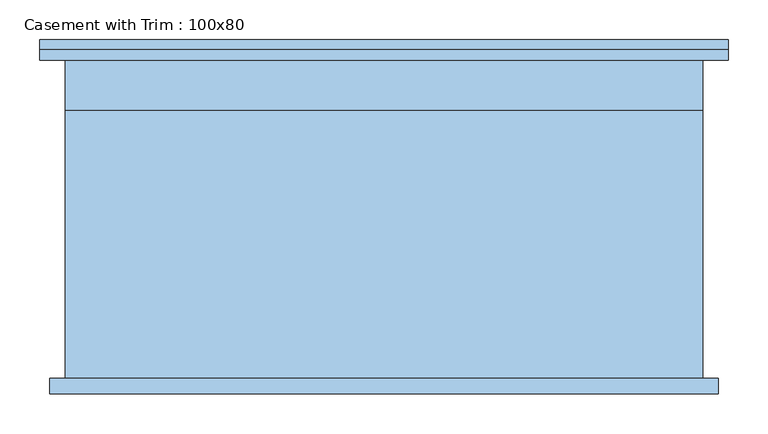
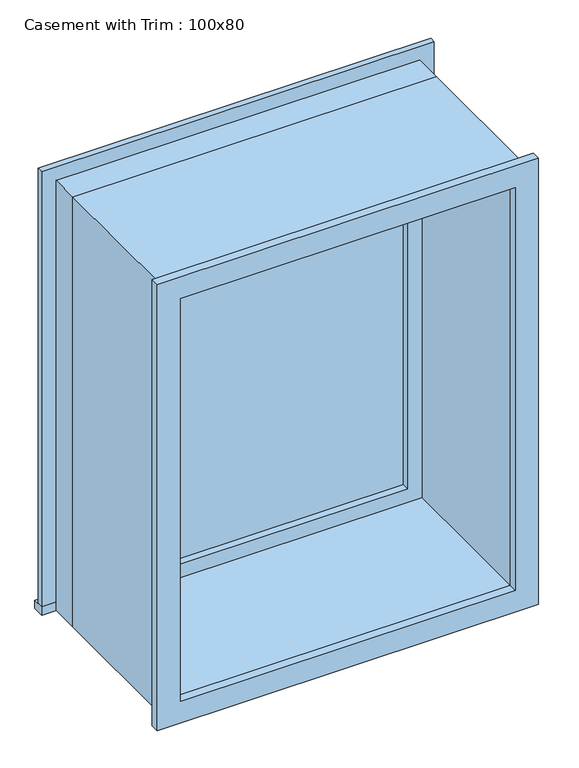
"""IFC4 building model written with IfcOpenShell, lengths in millimetres: window geometry, Casement with Trim : 100x80."""

import ifcopenshell
import ifcopenshell.guid

model = None  # the IFC model being written
_history = None  # IfcOwnerHistory: only IFC2X3 demands one
_inside = {}  # id of a spatial element -> (the spatial element, [elements in it])
_under = {}  # id of a project, library or spatial element -> (it, [spatial elements below it])
_declared = {}  # id of a project -> (the project, [libraries it declares])
_typed = {}  # id of a type object -> (the type object, [elements of that type])
_made_of = {}  # id of a material, layer set ... -> (it, [elements and type objects made of it])


def new_model(schema):
    """Start an empty IFC model of exactly this schema.

    Asked for "IFC4X3", IfcOpenShell would pick the latest addendum, in which some entities
    have other attributes; the version numbers below select the first issue.
    IFC2X3 requires an IfcOwnerHistory on every rooted entity: one is made here for all.
    """
    global model, _history
    if schema == "IFC4X3":
        model = ifcopenshell.file(schema_version=(4, 3, 0, 0))
    else:
        model = ifcopenshell.file(schema=schema)
    _inside.clear()
    _under.clear()
    _declared.clear()
    _typed.clear()
    _made_of.clear()
    _history = None
    if model.schema == "IFC2X3":
        org = make("IfcOrganization", Name="unknown")
        user = make(
            "IfcPersonAndOrganization",
            ThePerson=make("IfcPerson", FamilyName="unknown"),
            TheOrganization=org,
        )
        app = make(
            "IfcApplication",
            ApplicationDeveloper=org,
            Version="unknown",
            ApplicationFullName="unknown",
            ApplicationIdentifier="unknown",
        )
        _history = make(
            "IfcOwnerHistory",
            OwningUser=user,
            OwningApplication=app,
            ChangeAction="ADDED",
            CreationDate=0,
        )
    return model


def make(cls, **values):
    """One entity of the class cls with the attributes given. An attribute that is None is left unset."""
    return model.create_entity(
        cls, **{name: value for name, value in values.items() if value is not None}
    )


def rooted(cls, **values):
    """An entity with a GlobalId (a new one), such as an element, a storey or a relation."""
    return make(cls, GlobalId=ifcopenshell.guid.new(), OwnerHistory=_history, **values)


def si_unit(unit_type, name, prefix=None):
    """IfcSIUnit, for example si_unit("LENGTHUNIT", "METRE", prefix="MILLI")."""
    return make("IfcSIUnit", UnitType=unit_type, Prefix=prefix, Name=name)


def assignment(units):
    """IfcUnitAssignment: the units of a project."""
    return None if units is None else make("IfcUnitAssignment", Units=units)


def point(xyz):
    """IfcCartesianPoint."""
    return None if xyz is None else make("IfcCartesianPoint", Coordinates=xyz)


def direction(xyz):
    """IfcDirection."""
    return None if xyz is None else make("IfcDirection", DirectionRatios=xyz)


def frame(location, z_axis=None, x_axis=None):
    """IfcAxis2Placement3D, a coordinate frame: its origin and axes. An axis left out is left unset."""
    return make(
        "IfcAxis2Placement3D",
        Location=point(location),
        Axis=direction(z_axis),
        RefDirection=direction(x_axis),
    )


def origin():
    """The frame at (0, 0, 0) with its axes left unset."""
    return frame((0.0, 0.0, 0.0))


def place(relative_to, where):
    """IfcLocalPlacement: puts the frame where relative to a parent placement (None: the world)."""
    return make(
        "IfcLocalPlacement", PlacementRelTo=relative_to, RelativePlacement=where
    )


def context(
    kind, dimensions, precision=None, world=None, true_north=None, identifier=None
):
    """IfcGeometricRepresentationContext, for example the 3D "Model" context."""
    return make(
        "IfcGeometricRepresentationContext",
        ContextIdentifier=identifier,
        ContextType=kind,
        CoordinateSpaceDimension=dimensions,
        Precision=precision,
        WorldCoordinateSystem=world,
        TrueNorth=true_north,
    )


def project(units=None, contexts=None):
    """IfcProject with its units and contexts."""
    return rooted(
        "IfcProject",
        Name="project",
        RepresentationContexts=contexts,
        UnitsInContext=assignment(units),
    )


def spatial(cls, under=None, at=None, **own):
    """A site, building, storey or space (cls), placed at a placement, below another one or the project."""
    s = rooted(cls, ObjectPlacement=at, **own)
    if under is not None:
        _under.setdefault(under.id(), (under, []))[1].append(s)
    return s


def polyline(points):
    """IfcPolyline through the points."""
    return make("IfcPolyline", Points=[point(p) for p in points])


def outline(outer, holes=None, kind="AREA"):
    """IfcArbitraryClosedProfileDef: a profile drawn as a closed curve; with holes, ...WithVoids."""
    if holes is None:
        return make("IfcArbitraryClosedProfileDef", ProfileType=kind, OuterCurve=outer)
    return make(
        "IfcArbitraryProfileDefWithVoids",
        ProfileType=kind,
        OuterCurve=outer,
        InnerCurves=holes,
    )


def extrude(swept, where, along, depth):
    """IfcExtrudedAreaSolid: the profile swept, set in the frame where, extruded along a direction by depth."""
    return make(
        "IfcExtrudedAreaSolid",
        SweptArea=swept,
        Position=where,
        ExtrudedDirection=direction(along),
        Depth=depth,
    )


def shape(context_of_items, identifier, shape_type, items):
    """IfcShapeRepresentation: the items that make up one representation, for example the "Body"."""
    return make(
        "IfcShapeRepresentation",
        ContextOfItems=context_of_items,
        RepresentationIdentifier=identifier,
        RepresentationType=shape_type,
        Items=items,
    )


def source(mapping_origin, context_of_items, identifier, shape_type, items):
    """IfcRepresentationMap: a shape defined once, which mapped items show again and again."""
    return make(
        "IfcRepresentationMap",
        MappingOrigin=mapping_origin,
        MappedRepresentation=shape(context_of_items, identifier, shape_type, items),
    )


def transform(
    local_origin,
    x_axis=None,
    y_axis=None,
    z_axis=None,
    scale=None,
    scale2=None,
    scale3=None,
    uniform=True,
):
    """IfcCartesianTransformationOperator3D, or its non-uniform kind. x_axis, y_axis, z_axis: its Axis1, 2, 3."""
    if uniform:
        return make(
            "IfcCartesianTransformationOperator3D",
            Axis1=direction(x_axis),
            Axis2=direction(y_axis),
            LocalOrigin=point(local_origin),
            Scale=scale,
            Axis3=direction(z_axis),
        )
    return make(
        "IfcCartesianTransformationOperator3DnonUniform",
        Axis1=direction(x_axis),
        Axis2=direction(y_axis),
        LocalOrigin=point(local_origin),
        Scale=scale,
        Axis3=direction(z_axis),
        Scale2=scale2,
        Scale3=scale3,
    )


def mapped(mapping_source, mapping_target):
    """IfcMappedItem: shows the shape of a source again, moved by a transform."""
    return make(
        "IfcMappedItem", MappingSource=mapping_source, MappingTarget=mapping_target
    )


def made_of(thing, what):
    """Note that an element or type object is made of a material, layer set ...; save() writes the relation."""
    if what is not None:
        _made_of.setdefault(what.id(), (what, []))[1].append(thing)
    return thing


def element(
    cls,
    number,
    at=None,
    inside=None,
    cuts=None,
    type_object=None,
    material=None,
    context=None,
    identifier="Body",
    shape_type=None,
    held_by="IfcProductDefinitionShape",
    body=None,
    shapes=None,
    **own,
):
    """One element of the class cls, such as IfcWall. Its Tag is "e" and its number.

    at: its placement. inside: the storey or other place that contains it. cuts: it is an
    opening in that element (IfcRelVoidsElement). A single representation is given by context,
    identifier, shape_type and body (its items); several are given by shapes. held_by: the class
    of the entity that holds the representations. save() writes the other relations.
    """
    e = rooted(cls, Tag="e%d" % number, ObjectPlacement=at, **own)
    if body is not None:
        shapes = [shape(context, identifier, shape_type, body)]
    if shapes is not None:
        e.Representation = make(held_by, Representations=shapes)
    if inside is not None:
        _inside.setdefault(inside.id(), (inside, []))[1].append(e)
    if cuts is not None:
        rooted(
            "IfcRelVoidsElement", RelatingBuildingElement=cuts, RelatedOpeningElement=e
        )
    if type_object is not None:
        _typed.setdefault(type_object.id(), (type_object, []))[1].append(e)
    return made_of(e, material)


def aggregate(whole, parts):
    """IfcRelAggregates: a whole, such as a stair, and the parts it consists of."""
    return rooted("IfcRelAggregates", RelatingObject=whole, RelatedObjects=parts)


def save(model, path):
    """Write the relations noted so far, then the file.

    IfcRelAggregates (storeys below a building ...), IfcRelContainedInSpatialStructure (elements
    in a storey), IfcRelDefinesByType, IfcRelAssociatesMaterial and IfcRelDeclares: one each for
    every whole, place, type object, material and project.
    """
    for whole, parts in _under.values():
        aggregate(whole, parts)
    for where, things in _inside.values():
        rooted(
            "IfcRelContainedInSpatialStructure",
            RelatedElements=things,
            RelatingStructure=where,
        )
    for kind, things in _typed.values():
        rooted("IfcRelDefinesByType", RelatedObjects=things, RelatingType=kind)
    for what, things in _made_of.values():
        rooted("IfcRelAssociatesMaterial", RelatedObjects=things, RelatingMaterial=what)
    for by, libraries in _declared.values():
        rooted("IfcRelDeclares", RelatingContext=by, RelatedDefinitions=libraries)
    model.write(path)


def casement_with_trim_100x80_1a2b06f2(model_context):
    return source(origin(), model_context, "Body", "SweptSolid", [
        extrude(outline(polyline([(-431.75, 225.4), (431.75, 225.4), (431.75, 200.0), (-431.75, 200.0), (-431.75, 225.4)])), frame((0.0, 0.0, 914.4), z_axis=(0.0, 0.0, 1.0), x_axis=(1.0, 0.0, 0.0)), (0.0, 0.0, 1.0), 19.05),
        extrude(outline(polyline([(1895.35, -380.95), (1895.35, 380.95), (933.45, 380.95), (933.45, 431.75), (1946.15, 431.75), (1946.15, -431.75), (933.45, -431.75), (933.45, -380.95), (1895.35, -380.95)])), frame((0.0, 200.0, 0.0), z_axis=(0.0, 1.0, 0.0), x_axis=(0.0, 0.0, 1.0)), (0.0, 0.0, 1.0), 12.7),
        extrude(outline(polyline([(1933.45, 419.05), (1933.45, -419.05), (895.35, -419.05), (895.35, 419.05), (1933.45, 419.05)]), holes=[polyline([(1882.65, 368.25), (946.15, 368.25), (946.15, -368.25), (1882.65, -368.25), (1882.65, 368.25)])]), frame((0.0, -219.05, 0.0), z_axis=(0.0, 1.0, 0.0), x_axis=(0.0, 0.0, 1.0)), (0.0, 0.0, 1.0), 19.05),
        extrude(outline(polyline([(336.5, 152.375), (-336.5, 152.375), (-336.5, 165.075), (336.5, 165.075), (336.5, 152.375)])), frame((0.0, 0.0, 977.9), z_axis=(0.0, 0.0, 1.0), x_axis=(1.0, 0.0, 0.0)), (0.0, 0.0, 1.0), 873.0),
        extrude(outline(polyline([(1895.35, -380.95), (933.45, -380.95), (933.45, 380.95), (1895.35, 380.95), (1895.35, -380.95)]), holes=[polyline([(1850.9, -336.5), (1850.9, 336.5), (977.9, 336.5), (977.9, -336.5), (1850.9, -336.5)])]), frame((0.0, 136.5, 0.0), z_axis=(0.0, 1.0, 0.0), x_axis=(0.0, 0.0, 1.0)), (0.0, 0.0, 1.0), 44.45),
        extrude(outline(polyline([(1914.4, -400.0), (914.4, -400.0), (914.4, 400.0), (1914.4, 400.0), (1914.4, -400.0)]), holes=[polyline([(1882.65, -368.25), (1882.65, 368.25), (946.15, 368.25), (946.15, -368.25), (1882.65, -368.25)])]), frame((0.0, -200.0, 0.0), z_axis=(0.0, 1.0, 0.0), x_axis=(0.0, 0.0, 1.0)), (0.0, 0.0, 1.0), 336.5),
        extrude(outline(polyline([(1914.4, 400.0), (1914.4, -400.0), (914.4, -400.0), (914.4, 400.0), (1914.4, 400.0)]), holes=[polyline([(1895.35, 380.95), (933.45, 380.95), (933.45, -380.95), (1895.35, -380.95), (1895.35, 380.95)])]), frame((0.0, 136.5, 0.0), z_axis=(0.0, 1.0, 0.0), x_axis=(0.0, 0.0, 1.0)), (0.0, 0.0, 1.0), 63.5),
    ])


if __name__ == "__main__":
    model = new_model("IFC4")
    model_context = context("Model", 3, world=origin())
    ifc_project = project(units=[si_unit("LENGTHUNIT", "METRE", prefix="MILLI")], contexts=[model_context])
    site = spatial("IfcSite", under=ifc_project)
    building = spatial("IfcBuilding", under=site)
    placement = place(None, origin())
    casement_with_trim_100x80_shape = casement_with_trim_100x80_1a2b06f2(model_context)
    element("IfcWindow", 1, ObjectType="Casement with Trim : 100x80", at=placement, inside=building, context=model_context, shape_type="MappedRepresentation", body=[
        mapped(casement_with_trim_100x80_shape, transform((0.0, 0.0, 0.0), x_axis=(1.0, 0.0, 0.0), y_axis=(0.0, 1.0, 0.0), z_axis=(0.0, 0.0, 1.0))),
    ])
    save(model, "model.ifc")
